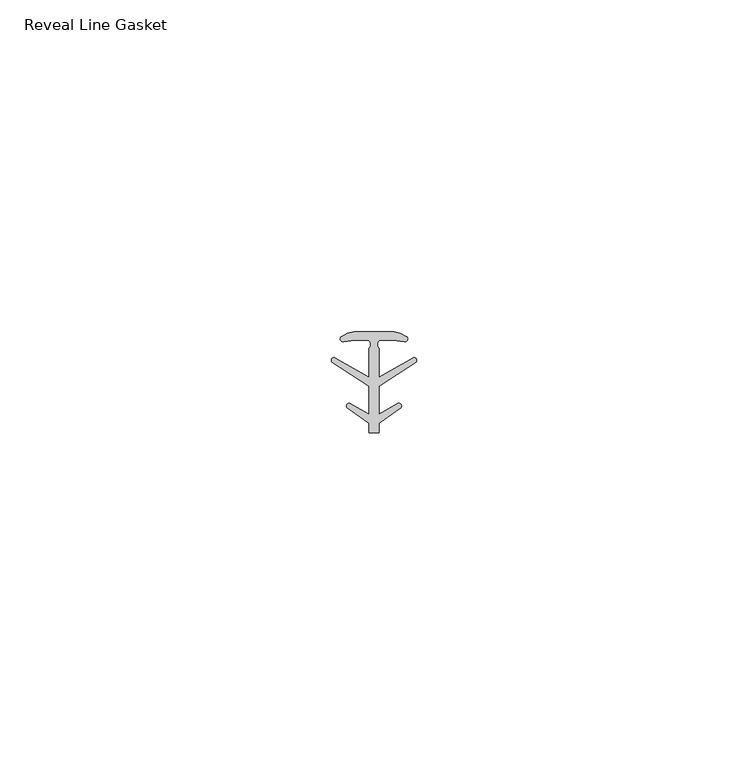
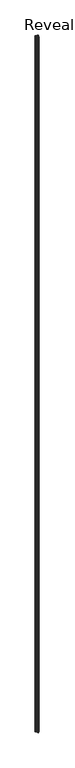
"""IFC4 building model written with IfcOpenShell, lengths in millimetres: furniture geometry, Reveal Line Gasket."""

import ifcopenshell
import ifcopenshell.guid

model = None  # the IFC model being written
_history = None  # IfcOwnerHistory: only IFC2X3 demands one
_inside = {}  # id of a spatial element -> (the spatial element, [elements in it])
_under = {}  # id of a project, library or spatial element -> (it, [spatial elements below it])
_declared = {}  # id of a project -> (the project, [libraries it declares])
_typed = {}  # id of a type object -> (the type object, [elements of that type])
_made_of = {}  # id of a material, layer set ... -> (it, [elements and type objects made of it])


def new_model(schema):
    """Start an empty IFC model of exactly this schema.

    Asked for "IFC4X3", IfcOpenShell would pick the latest addendum, in which some entities
    have other attributes; the version numbers below select the first issue.
    IFC2X3 requires an IfcOwnerHistory on every rooted entity: one is made here for all.
    """
    global model, _history
    if schema == "IFC4X3":
        model = ifcopenshell.file(schema_version=(4, 3, 0, 0))
    else:
        model = ifcopenshell.file(schema=schema)
    _inside.clear()
    _under.clear()
    _declared.clear()
    _typed.clear()
    _made_of.clear()
    _history = None
    if model.schema == "IFC2X3":
        org = make("IfcOrganization", Name="unknown")
        user = make(
            "IfcPersonAndOrganization",
            ThePerson=make("IfcPerson", FamilyName="unknown"),
            TheOrganization=org,
        )
        app = make(
            "IfcApplication",
            ApplicationDeveloper=org,
            Version="unknown",
            ApplicationFullName="unknown",
            ApplicationIdentifier="unknown",
        )
        _history = make(
            "IfcOwnerHistory",
            OwningUser=user,
            OwningApplication=app,
            ChangeAction="ADDED",
            CreationDate=0,
        )
    return model


def make(cls, **values):
    """One entity of the class cls with the attributes given. An attribute that is None is left unset."""
    return model.create_entity(
        cls, **{name: value for name, value in values.items() if value is not None}
    )


def rooted(cls, **values):
    """An entity with a GlobalId (a new one), such as an element, a storey or a relation."""
    return make(cls, GlobalId=ifcopenshell.guid.new(), OwnerHistory=_history, **values)


def si_unit(unit_type, name, prefix=None):
    """IfcSIUnit, for example si_unit("LENGTHUNIT", "METRE", prefix="MILLI")."""
    return make("IfcSIUnit", UnitType=unit_type, Prefix=prefix, Name=name)


def assignment(units):
    """IfcUnitAssignment: the units of a project."""
    return None if units is None else make("IfcUnitAssignment", Units=units)


def point(xyz):
    """IfcCartesianPoint."""
    return None if xyz is None else make("IfcCartesianPoint", Coordinates=xyz)


def direction(xyz):
    """IfcDirection."""
    return None if xyz is None else make("IfcDirection", DirectionRatios=xyz)


def frame(location, z_axis=None, x_axis=None):
    """IfcAxis2Placement3D, a coordinate frame: its origin and axes. An axis left out is left unset."""
    return make(
        "IfcAxis2Placement3D",
        Location=point(location),
        Axis=direction(z_axis),
        RefDirection=direction(x_axis),
    )


def frame_2d(location, x_axis=None):
    """IfcAxis2Placement2D, a coordinate frame in the plane: its origin and x axis."""
    return make(
        "IfcAxis2Placement2D", Location=point(location), RefDirection=direction(x_axis)
    )


def origin():
    """The frame at (0, 0, 0) with its axes left unset."""
    return frame((0.0, 0.0, 0.0))


def origin_with_axes():
    """The frame at (0, 0, 0) with the z axis (0, 0, 1) and the x axis (1, 0, 0) written out."""
    return frame((0.0, 0.0, 0.0), z_axis=(0.0, 0.0, 1.0), x_axis=(1.0, 0.0, 0.0))


def place(relative_to, where):
    """IfcLocalPlacement: puts the frame where relative to a parent placement (None: the world)."""
    return make(
        "IfcLocalPlacement", PlacementRelTo=relative_to, RelativePlacement=where
    )


def context(
    kind, dimensions, precision=None, world=None, true_north=None, identifier=None
):
    """IfcGeometricRepresentationContext, for example the 3D "Model" context."""
    return make(
        "IfcGeometricRepresentationContext",
        ContextIdentifier=identifier,
        ContextType=kind,
        CoordinateSpaceDimension=dimensions,
        Precision=precision,
        WorldCoordinateSystem=world,
        TrueNorth=true_north,
    )


def project(units=None, contexts=None):
    """IfcProject with its units and contexts."""
    return rooted(
        "IfcProject",
        Name="project",
        RepresentationContexts=contexts,
        UnitsInContext=assignment(units),
    )


def spatial(cls, under=None, at=None, **own):
    """A site, building, storey or space (cls), placed at a placement, below another one or the project."""
    s = rooted(cls, ObjectPlacement=at, **own)
    if under is not None:
        _under.setdefault(under.id(), (under, []))[1].append(s)
    return s


def polyline(points):
    """IfcPolyline through the points."""
    return make("IfcPolyline", Points=[point(p) for p in points])


def circle_curve(where, radius):
    """IfcCircle in the frame where."""
    return make("IfcCircle", Position=where, Radius=radius)


def trimmed(basis, trim1, trim2, sense, master):
    """IfcTrimmedCurve: the piece of a basis curve between two trims."""
    return make(
        "IfcTrimmedCurve",
        BasisCurve=basis,
        Trim1=trim1,
        Trim2=trim2,
        SenseAgreement=sense,
        MasterRepresentation=master,
    )


def segment(curve, same_sense, transition):
    """IfcCompositeCurveSegment."""
    return make(
        "IfcCompositeCurveSegment",
        Transition=transition,
        SameSense=same_sense,
        ParentCurve=curve,
    )


def composite_curve(segments, self_intersect=None):
    """IfcCompositeCurve: segments joined end to end."""
    return make("IfcCompositeCurve", Segments=segments, SelfIntersect=self_intersect)


def outline(outer, holes=None, kind="AREA"):
    """IfcArbitraryClosedProfileDef: a profile drawn as a closed curve; with holes, ...WithVoids."""
    if holes is None:
        return make("IfcArbitraryClosedProfileDef", ProfileType=kind, OuterCurve=outer)
    return make(
        "IfcArbitraryProfileDefWithVoids",
        ProfileType=kind,
        OuterCurve=outer,
        InnerCurves=holes,
    )


def extrude(swept, where, along, depth):
    """IfcExtrudedAreaSolid: the profile swept, set in the frame where, extruded along a direction by depth."""
    return make(
        "IfcExtrudedAreaSolid",
        SweptArea=swept,
        Position=where,
        ExtrudedDirection=direction(along),
        Depth=depth,
    )


def shape(context_of_items, identifier, shape_type, items):
    """IfcShapeRepresentation: the items that make up one representation, for example the "Body"."""
    return make(
        "IfcShapeRepresentation",
        ContextOfItems=context_of_items,
        RepresentationIdentifier=identifier,
        RepresentationType=shape_type,
        Items=items,
    )


def source(mapping_origin, context_of_items, identifier, shape_type, items):
    """IfcRepresentationMap: a shape defined once, which mapped items show again and again."""
    return make(
        "IfcRepresentationMap",
        MappingOrigin=mapping_origin,
        MappedRepresentation=shape(context_of_items, identifier, shape_type, items),
    )


def transform(
    local_origin,
    x_axis=None,
    y_axis=None,
    z_axis=None,
    scale=None,
    scale2=None,
    scale3=None,
    uniform=True,
):
    """IfcCartesianTransformationOperator3D, or its non-uniform kind. x_axis, y_axis, z_axis: its Axis1, 2, 3."""
    if uniform:
        return make(
            "IfcCartesianTransformationOperator3D",
            Axis1=direction(x_axis),
            Axis2=direction(y_axis),
            LocalOrigin=point(local_origin),
            Scale=scale,
            Axis3=direction(z_axis),
        )
    return make(
        "IfcCartesianTransformationOperator3DnonUniform",
        Axis1=direction(x_axis),
        Axis2=direction(y_axis),
        LocalOrigin=point(local_origin),
        Scale=scale,
        Axis3=direction(z_axis),
        Scale2=scale2,
        Scale3=scale3,
    )


def mapped(mapping_source, mapping_target):
    """IfcMappedItem: shows the shape of a source again, moved by a transform."""
    return make(
        "IfcMappedItem", MappingSource=mapping_source, MappingTarget=mapping_target
    )


def made_of(thing, what):
    """Note that an element or type object is made of a material, layer set ...; save() writes the relation."""
    if what is not None:
        _made_of.setdefault(what.id(), (what, []))[1].append(thing)
    return thing


def element(
    cls,
    number,
    at=None,
    inside=None,
    cuts=None,
    type_object=None,
    material=None,
    context=None,
    identifier="Body",
    shape_type=None,
    held_by="IfcProductDefinitionShape",
    body=None,
    shapes=None,
    **own,
):
    """One element of the class cls, such as IfcWall. Its Tag is "e" and its number.

    at: its placement. inside: the storey or other place that contains it. cuts: it is an
    opening in that element (IfcRelVoidsElement). A single representation is given by context,
    identifier, shape_type and body (its items); several are given by shapes. held_by: the class
    of the entity that holds the representations. save() writes the other relations.
    """
    e = rooted(cls, Tag="e%d" % number, ObjectPlacement=at, **own)
    if body is not None:
        shapes = [shape(context, identifier, shape_type, body)]
    if shapes is not None:
        e.Representation = make(held_by, Representations=shapes)
    if inside is not None:
        _inside.setdefault(inside.id(), (inside, []))[1].append(e)
    if cuts is not None:
        rooted(
            "IfcRelVoidsElement", RelatingBuildingElement=cuts, RelatedOpeningElement=e
        )
    if type_object is not None:
        _typed.setdefault(type_object.id(), (type_object, []))[1].append(e)
    return made_of(e, material)


def aggregate(whole, parts):
    """IfcRelAggregates: a whole, such as a stair, and the parts it consists of."""
    return rooted("IfcRelAggregates", RelatingObject=whole, RelatedObjects=parts)


def save(model, path):
    """Write the relations noted so far, then the file.

    IfcRelAggregates (storeys below a building ...), IfcRelContainedInSpatialStructure (elements
    in a storey), IfcRelDefinesByType, IfcRelAssociatesMaterial and IfcRelDeclares: one each for
    every whole, place, type object, material and project.
    """
    for whole, parts in _under.values():
        aggregate(whole, parts)
    for where, things in _inside.values():
        rooted(
            "IfcRelContainedInSpatialStructure",
            RelatedElements=things,
            RelatingStructure=where,
        )
    for kind, things in _typed.values():
        rooted("IfcRelDefinesByType", RelatedObjects=things, RelatingType=kind)
    for what, things in _made_of.values():
        rooted("IfcRelAssociatesMaterial", RelatedObjects=things, RelatingMaterial=what)
    for by, libraries in _declared.values():
        rooted("IfcRelDeclares", RelatingContext=by, RelatedDefinitions=libraries)
    model.write(path)


def reveal_line_gasket_ed8ee817(model_context):
    return source(origin(), model_context, "Body", "SweptSolid", [
        extrude(outline(composite_curve([segment(polyline([(2.999107, 7.6326998), (3.9545998, 7.4091917), (4.8875754, 6.8813059)]), True, "CONTINUOUS"), segment(trimmed(circle_curve(frame_2d((4.6855864, 6.5243141)), 0.4101739), [point((4.8875754, 6.8813059))], [point((4.5932418, 6.1246704))], False, "CARTESIAN"), True, "CONTINUOUS"), segment(polyline([(4.5932418, 6.1246704), (2.8970156, 6.3626997), (0.8645598, 6.3626997)]), True, "CONTINUOUS"), segment(trimmed(circle_curve(frame_2d((1.2810328, 5.6959605)), 0.786124), [point((0.8645598, 6.3626997))], [point((0.7769821, 5.0926996))], True, "CARTESIAN"), True, "CONTINUOUS"), segment(polyline([(0.7769821, 5.0926996), (0.7769821, 0.7492996), (5.9386365, 3.7293824)]), True, "CONTINUOUS"), segment(trimmed(circle_curve(frame_2d((6.0040832, 3.3132479)), 0.4212495), [point((5.9386365, 3.7293824))], [point((6.3317429, 3.0485022))], False, "CARTESIAN"), True, "CONTINUOUS"), segment(polyline([(6.3317429, 3.0485022), (0.7769821, -0.5742594), (0.7769821, -4.8262978), (3.6526367, -3.1660374)]), True, "CONTINUOUS"), segment(trimmed(circle_curve(frame_2d((3.7109925, -3.5978728)), 0.4357605), [point((3.6526367, -3.1660374))], [point((4.0557951, -3.864328))], False, "CARTESIAN"), True, "CONTINUOUS"), segment(polyline([(4.0557951, -3.864328), (0.7769821, -6.1944059), (0.7769821, -7.6326998), (-0.778768, -7.6326998), (-0.778768, -6.1944059), (-4.0575811, -3.864328)]), True, "CONTINUOUS"), segment(trimmed(circle_curve(frame_2d((-3.7127785, -3.5978728)), 0.4357605), [point((-4.0575811, -3.864328))], [point((-3.6544226, -3.1660374))], False, "CARTESIAN"), True, "CONTINUOUS"), segment(polyline([(-3.6544226, -3.1660374), (-0.778768, -4.8262978), (-0.778768, -0.5742594), (-6.3335288, 3.0485022)]), True, "CONTINUOUS"), segment(trimmed(circle_curve(frame_2d((-6.0058691, 3.3132479)), 0.4212495), [point((-6.3335288, 3.0485022))], [point((-5.9404224, 3.7293824))], False, "CARTESIAN"), True, "CONTINUOUS"), segment(polyline([(-5.9404224, 3.7293824), (-0.778768, 0.7492996), (-0.778768, 5.0926996)]), True, "CONTINUOUS"), segment(trimmed(circle_curve(frame_2d((-1.2828188, 5.6959605)), 0.786124), [point((-0.778768, 5.0926996))], [point((-0.8663457, 6.3626997))], True, "CARTESIAN"), True, "CONTINUOUS"), segment(polyline([(-0.8663457, 6.3626997), (-2.8988015, 6.3626997), (-4.5950277, 6.1246704)]), True, "CONTINUOUS"), segment(trimmed(circle_curve(frame_2d((-4.6873723, 6.5243141)), 0.4101739), [point((-4.5950277, 6.1246704))], [point((-4.8893614, 6.8813059))], False, "CARTESIAN"), True, "CONTINUOUS"), segment(polyline([(-4.8893614, 6.8813059), (-3.9563857, 7.4091917), (-3.000893, 7.6326998), (2.999107, 7.6326998)]), True, "CONTINUOUS")], self_intersect=False)), origin_with_axes(), (0.0, 0.0, 1.0), 3041.65),
    ])


if __name__ == "__main__":
    model = new_model("IFC4")
    model_context = context("Model", 3, world=origin())
    ifc_project = project(units=[si_unit("LENGTHUNIT", "METRE", prefix="MILLI")], contexts=[model_context])
    site = spatial("IfcSite", under=ifc_project)
    building = spatial("IfcBuilding", under=site)
    placement = place(None, origin())
    reveal_line_gasket_shape = reveal_line_gasket_ed8ee817(model_context)
    element("IfcFurniture", 1, ObjectType="Reveal Line Gasket", at=placement, inside=building, context=model_context, shape_type="MappedRepresentation", body=[
        mapped(reveal_line_gasket_shape, transform((0.0, 0.0, 0.0), x_axis=(1.0, 0.0, 0.0), y_axis=(0.0, 1.0, 0.0), z_axis=(0.0, 0.0, 1.0))),
    ])
    save(model, "model.ifc")
